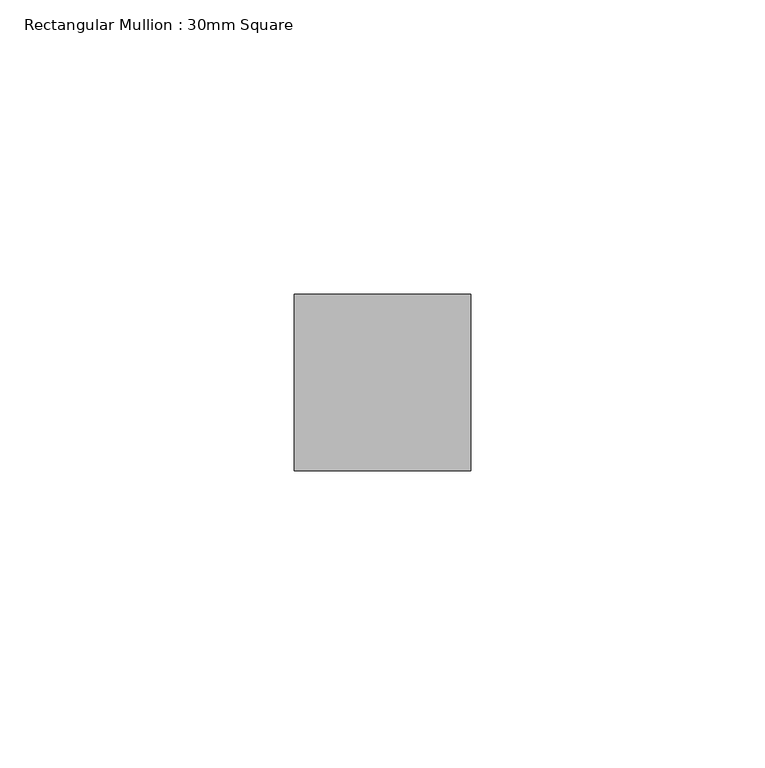
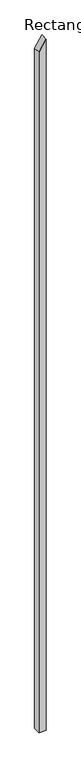
"""IFC4 building model written with IfcOpenShell, lengths in millimetres: member geometry, Rectangular Mullion : 30mm Square."""

from ifc_helpers import new_model, si_unit, frame, origin, place, context, project, spatial, polyline, outline, extrude, source, transform, mapped, element, save


def rectangular_mullion_30mm_square_2070371e(model_context):
    return source(origin(), model_context, "Body", "SweptSolid", [
        extrude(outline(polyline([(0.0, 0.0), (-47.566332, -30.0), (-3026.5168102, -30.0), (-3026.5168102, 0.0), (0.0, 0.0)])), frame((0.0, -15.0, 0.0), z_axis=(0.0, 1.0, 0.0), x_axis=(0.0, 0.0, 1.0)), (0.0, 0.0, 1.0), 30.0),
    ])


if __name__ == "__main__":
    model = new_model("IFC4")
    model_context = context("Model", 3, world=origin())
    ifc_project = project(units=[si_unit("LENGTHUNIT", "METRE", prefix="MILLI")], contexts=[model_context])
    site = spatial("IfcSite", under=ifc_project)
    building = spatial("IfcBuilding", under=site)
    placement = place(None, origin())
    rectangular_mullion_30mm_square_shape = rectangular_mullion_30mm_square_2070371e(model_context)
    element("IfcMember", 1, ObjectType="Rectangular Mullion : 30mm Square", at=placement, inside=building, context=model_context, shape_type="MappedRepresentation", body=[
        mapped(rectangular_mullion_30mm_square_shape, transform((0.0, 0.0, 0.0), x_axis=(1.0, 0.0, 0.0), y_axis=(0.0, 1.0, 0.0), z_axis=(0.0, 0.0, 1.0))),
    ])
    save(model, "model.ifc")
